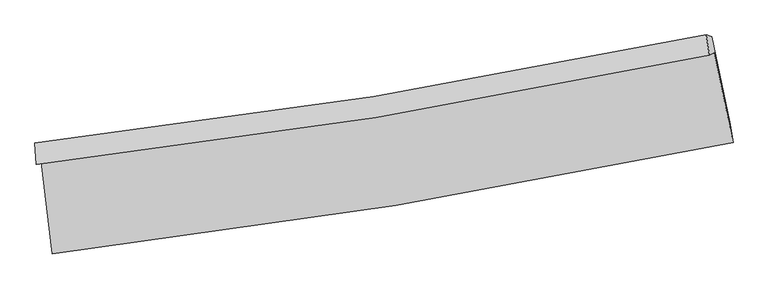
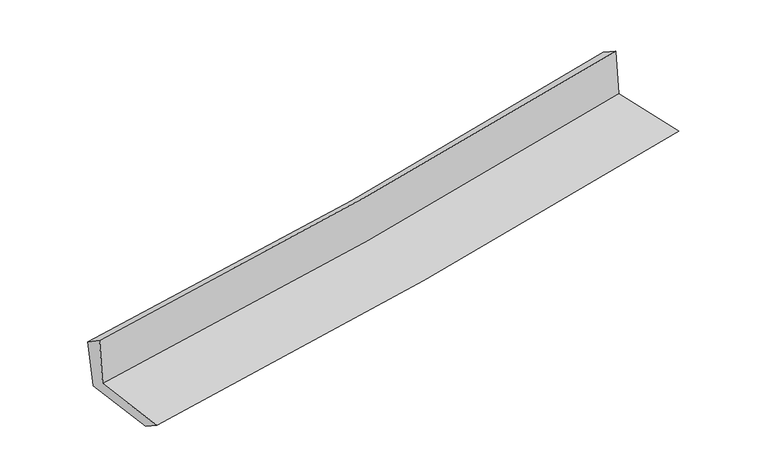
"""IFC4 building model written with IfcOpenShell, lengths in millimetres: proxy geometry."""

from ifc_helpers import new_model, si_unit, frame, origin, place, context, project, spatial, source, transform, mapped, element, save
from ifc_brep_helpers import plane_surface, spline_curve, spline_surface, advanced_brep


def generic_models_63cd29ab(model_context):
    return source(origin(), model_context, "Body", "AdvancedBrep", [
        advanced_brep(
        [(-2488.7763209, -1877.0946529, 1649.832085), (-2406.28135, -2547.6539288, 1645.0182178), (2562.9367067, -1735.1975188, 2097.6117215), (2424.6458172, -1077.8537146, 2090.5710936), (-2525.0167977, -1895.2157446, 2068.7527113), (2389.543361, -1093.4479037, 2499.6573344), (-2534.7112347, -1736.6239136, 1962.9637531), (2366.8946357, -946.0870217, 2409.0913518), (-2495.7612953, -1749.2154578, 1555.4665024), (2406.202175, -957.9422388, 2017.0218509), (-2415.9572268, -2395.487987, 1547.59228), (2539.1119962, -1585.3563069, 2013.9885295)],
        [
            (0, 1),
            (1, 2, spline_curve(3, [(-2406.28135, -2547.6539288, 1645.0182178), (-1568.191400654, -2447.365352903, 1721.692409555), (-732.804886953, -2329.050110902, 1797.948722405), (923.542889866, -2057.842946322, 1948.804221001), (1744.562395154, -1905.339385038, 2023.412409423), (2562.9367067, -1735.1975188, 2097.6117215)], [4, 2, 4], [0.0, 8.293047867660015, 16.496277832460706])),
            (2, 3),
            (3, 0, spline_curve(3, [(2424.6458172, -1077.8537146, 2090.5710936), (1616.629263383, -1250.707280731, 2020.550294404), (805.415999768, -1403.484744707, 1949.019884228), (-832.320994228, -1670.340427642, 1802.140120009), (-1658.915110152, -1783.976609702, 1726.757527356), (-2488.7763209, -1877.0946529, 1649.832085)], [4, 2, 4], [0.0, 8.203229964800691, 16.496277832460706])),
            (4, 0),
            (3, 5),
            (5, 4, spline_curve(3, [(2389.543361, -1093.4479037, 2499.6573344), (1580.943881424, -1264.193203676, 2431.290827895), (769.343763056, -1416.11908344, 2361.402699949), (-868.77688843, -1683.789397763, 2217.801328677), (-1695.363489614, -1799.119464696, 2144.054582303), (-2525.0167977, -1895.2157446, 2068.7527113)], [4, 2, 4], [0.0, 8.15663283206749, 16.402573370796063])),
            (6, 4),
            (5, 7),
            (7, 6, spline_curve(3, [(2366.8946357, -946.0870217, 2409.0913518), (1561.36698091, -1115.625030231, 2329.393590727), (752.378937943, -1266.01822901, 2252.554182922), (-881.4134945, -1529.952057811, 2103.782047852), (-1706.294075071, -1643.071156387, 2031.912256323), (-2534.7112347, -1736.6239136, 1962.9637531)], [4, 2, 4], [0.0, 8.14627398552629, 16.381742257770988])),
            (8, 6),
            (7, 9),
            (9, 8, spline_curve(3, [(2406.202175, -957.9422388, 2017.0218509), (1599.44444228, -1127.094354557, 1946.406019926), (789.808535517, -1277.354250871, 1872.860617309), (-844.115916084, -1541.527960639, 1719.07333792), (-1668.467832663, -1655.025804074, 1638.766957756), (-2495.7612953, -1749.2154578, 1555.4665024)], [4, 2, 4], [0.0, 8.137052216783315, 16.363197750309464])),
            (10, 8),
            (9, 11),
            (11, 10, spline_curve(3, [(2539.1119962, -1585.3563069, 2013.9885295), (1722.417810737, -1754.949186331, 1945.755146773), (903.40920718, -1906.985135933, 1873.008426767), (-748.229574625, -2177.415598755, 1717.642385318), (-1580.910712338, -2295.423542462, 1634.923688713), (-2415.9572268, -2395.487987, 1547.59228)], [4, 2, 4], [0.0, 8.183833841448497, 16.45727321585683])),
            (1, 10),
            (11, 2),
        ],
        [
            spline_surface(3, 3, [[(-2488.7763209, -1877.0946529, 1649.832085), (-1658.915110108, -1783.976609733, 1726.757527365), (-832.320994245, -1670.340427673, 1802.140120039), (805.415999786, -1403.484744676, 1949.019884198), (1616.629263261, -1250.707280689, 2020.550294387), (2424.6458172, -1077.8537146, 2090.5710936)], [(-2461.277997267, -2100.614411514, 1648.227462611), (-1628.673873605, -2005.106190801, 1725.069154818), (-799.148958502, -1889.91032211, 1800.742987516), (844.791629811, -1621.604145236, 1948.94799648), (1659.273640557, -1468.917982146, 2021.504332768), (2470.742780367, -1296.968316011, 2092.917969582)], [(-2433.779673633, -2324.134170186, 1646.622840189), (-1598.4326371, -2226.235771928, 1723.380782238), (-765.976922725, -2109.48021649, 1799.34585494), (884.167259869, -1839.723545738, 1948.876108708), (1701.91801785, -1687.12868357, 2022.458371103), (2516.839743533, -1516.082917389, 2095.264845518)], [(-2406.28135, -2547.6539288, 1645.0182178), (-1568.191400597, -2447.365352997, 1721.692409691), (-732.804886981, -2329.050110927, 1797.948722418), (923.542889894, -2057.842946298, 1948.804220989), (1744.562395146, -1905.339385027, 2023.412409483), (2562.9367067, -1735.1975188, 2097.6117215)]], [4, 4], [4, 2, 4], [0.0, 2.1834063517663185], [0.0, 8.293047867660015, 16.496277832460706]),
            spline_surface(3, 3, [[(-2525.0167977, -1895.2157446, 2068.7527113), (-1695.363489493, -1799.119464786, 2144.054582416), (-868.77688835, -1683.789397668, 2217.801328709), (769.343762977, -1416.119083535, 2361.402699917), (1580.943881375, -1264.193203683, 2431.290827987), (2389.543361, -1093.4479037, 2499.6573344)], [(-2512.936638783, -1889.175380717, 1929.112502531), (-1683.214029715, -1794.071846452, 2004.955564064), (-856.624923658, -1679.306407657, 2079.247592476), (781.367841904, -1411.907637236, 2223.941761335), (1592.839008656, -1259.697896007, 2294.377316785), (2401.244179719, -1088.249840655, 2363.295254131)], [(-2500.856479817, -1883.135016783, 1789.472293769), (-1671.064569886, -1789.024228067, 1865.856545718), (-844.472958938, -1674.823417684, 1940.693856272), (793.391920859, -1407.696190975, 2086.48082278), (1604.73413598, -1255.202588365, 2157.463805589), (2412.944998481, -1083.051777645, 2226.933173869)], [(-2488.7763209, -1877.0946529, 1649.832085), (-1658.915110108, -1783.976609733, 1726.757527365), (-832.320994245, -1670.340427673, 1802.140120039), (805.415999786, -1403.484744676, 1949.019884198), (1616.629263261, -1250.707280689, 2020.550294387), (2424.6458172, -1077.8537146, 2090.5710936)]], [4, 4], [4, 2, 4], [0.0, 1.364271076748209], [0.0, 8.245940538728572, 16.402573370796063]),
            spline_surface(3, 3, [[(-2534.7112347, -1736.6239136, 1962.9637531), (-1706.294075116, -1643.07115638, 2031.912256281), (-881.413494496, -1529.952057867, 2103.782047904), (752.378937939, -1266.018228954, 2252.554182871), (1561.366980775, -1115.625030164, 2329.393590807), (2366.8946357, -946.0870217, 2409.0913518)], [(-2531.47975569, -1789.487857279, 1998.226739163), (-1702.650546565, -1695.087259194, 2069.293031655), (-877.201292433, -1581.231171132, 2141.788474833), (758.033879633, -1316.051847146, 2288.83702188), (1567.892614324, -1165.147754683, 2363.359336528), (2374.444210816, -995.207315712, 2439.280012661)], [(-2528.24827671, -1842.351800921, 2033.489725237), (-1699.007018044, -1747.103361972, 2106.673807042), (-872.989090413, -1632.510284403, 2179.79490178), (763.688821283, -1366.085465343, 2325.119860907), (1574.418247826, -1214.670479165, 2397.325082266), (2381.993785884, -1044.327609688, 2469.468673539)], [(-2525.0167977, -1895.2157446, 2068.7527113), (-1695.363489493, -1799.119464786, 2144.054582416), (-868.77688835, -1683.789397668, 2217.801328709), (769.343762977, -1416.119083535, 2361.402699917), (1580.943881375, -1264.193203683, 2431.290827987), (2389.543361, -1093.4479037, 2499.6573344)]], [4, 4], [4, 2, 4], [0.0, 0.6202684953764012], [0.0, 8.235468272244697, 16.381742257770988]),
            spline_surface(3, 3, [[(-2495.7612953, -1749.2154578, 1555.4665024), (-1668.467832694, -1655.025804058, 1638.766957652), (-844.115916101, -1541.527960619, 1719.073337932), (789.808535534, -1277.35425089, 1872.860617298), (1599.444442335, -1127.094354644, 1946.406019811), (2406.202175, -957.9422388, 2017.0218509)], [(-2508.744608431, -1745.018276399, 1691.298919307), (-1681.076580165, -1651.040921498, 1769.815390535), (-856.548442244, -1537.669326388, 1847.309574591), (777.332002992, -1273.57557693, 1999.425139158), (1586.751955136, -1123.271246475, 2074.068543467), (2393.099661889, -953.990499758, 2147.711684524)], [(-2521.727921569, -1740.821095001, 1827.131336193), (-1693.685327644, -1647.056038941, 1900.863823398), (-868.980968354, -1533.810692099, 1975.545811245), (764.855470481, -1269.796902914, 2125.989661011), (1574.059467973, -1119.448138333, 2201.731067151), (2379.997148811, -950.038760742, 2278.401518176)], [(-2534.7112347, -1736.6239136, 1962.9637531), (-1706.294075116, -1643.07115638, 2031.912256281), (-881.413494496, -1529.952057867, 2103.782047904), (752.378937939, -1266.018228954, 2252.554182871), (1561.366980775, -1115.625030164, 2329.393590807), (2366.8946357, -946.0870217, 2409.0913518)]], [4, 4], [4, 2, 4], [0.0, 1.2605695567545028], [0.0, 8.226145533526148, 16.363197750309464]),
            spline_surface(3, 3, [[(-2415.9572268, -2395.487987, 1547.59228), (-1580.910712341, -2295.423542531, 1634.923688682), (-748.229574727, -2177.415598818, 1717.642385262), (903.40920728, -1906.98513587, 1873.008426822), (1722.417810659, -1754.949186232, 1945.755146741), (2539.1119962, -1585.3563069, 2013.9885295)], [(-2442.558582968, -2180.063810579, 1550.217020801), (-1610.096419127, -2081.957629686, 1636.204778339), (-780.191688509, -1965.453052728, 1718.119369502), (865.542316708, -1697.108174185, 1872.959156998), (1681.4266879, -1545.664242365, 1945.972104451), (2494.808722482, -1376.218284196, 2014.999636653)], [(-2469.159939132, -1964.639634221, 1552.841761599), (-1639.282125908, -1868.491716904, 1637.485867995), (-812.153802319, -1753.49050671, 1718.596353692), (827.675426107, -1487.231212574, 1872.909887123), (1640.435565094, -1336.37929851, 1946.189062101), (2450.505448718, -1167.080261504, 2016.010743747)], [(-2495.7612953, -1749.2154578, 1555.4665024), (-1668.467832694, -1655.025804058, 1638.766957652), (-844.115916101, -1541.527960619, 1719.073337932), (789.808535534, -1277.35425089, 1872.860617298), (1599.444442335, -1127.094354644, 1946.406019811), (2406.202175, -957.9422388, 2017.0218509)]], [4, 4], [4, 2, 4], [0.0, 2.104292416341356], [0.0, 8.273439374408333, 16.45727321585683]),
            spline_surface(3, 3, [[(-2406.28135, -2547.6539288, 1645.0182178), (-1568.191400597, -2447.365352997, 1721.692409691), (-732.804886981, -2329.050110927, 1797.948722418), (923.542889894, -2057.842946298, 1948.804220989), (1744.562395146, -1905.339385027, 2023.412409483), (2562.9367067, -1735.1975188, 2097.6117215)], [(-2409.50664226, -2496.931948213, 1612.542905188), (-1572.431171172, -2396.718082854, 1692.769502676), (-737.946449556, -2278.505273559, 1771.179943344), (916.831662363, -2007.557009489, 1923.538956245), (1737.180866977, -1855.209318763, 1997.526655219), (2554.995136527, -1685.250448168, 2069.737324149)], [(-2412.73193454, -2446.209967587, 1580.067592612), (-1576.670941766, -2346.070812674, 1663.846595697), (-743.088012152, -2227.960436187, 1744.411164335), (910.120434811, -1957.271072678, 1898.273691566), (1729.799338828, -1805.079252495, 1971.640901006), (2547.053566373, -1635.303377532, 2041.862926851)], [(-2415.9572268, -2395.487987, 1547.59228), (-1580.910712341, -2295.423542531, 1634.923688682), (-748.229574727, -2177.415598818, 1717.642385262), (903.40920728, -1906.98513587, 1873.008426822), (1722.417810659, -1754.949186232, 1945.755146741), (2539.1119962, -1585.3563069, 2013.9885295)]], [4, 4], [4, 2, 4], [0.0, 0.5614716942827312], [0.0, 8.329802477669075, 16.569388981462705]),
            plane_surface(frame((2448.2224486, -1232.6474507, 2187.9903136), z_axis=(0.9742805544845324, 0.20594701568404888, 0.09145068553130917), x_axis=(-0.09971134861486858, 0.030073103223391923, 0.9945618409228857))),
            plane_surface(frame((-2477.7507043, -2033.5486141, 1738.2709249), z_axis=(-0.9885009896883394, -0.12095801376283873, -0.09074663790864199), x_axis=(-0.12210048473822198, 0.9924921693398279, 0.007124986021992091))),
        ],
        [
            (0, [[1, 2, 3, 4]]),
            (1, [[5, -4, 6, 7]]),
            (2, [[8, -7, 9, 10]]),
            (3, [[11, -10, 12, 13]]),
            (4, [[14, -13, 15, 16]]),
            (5, [[17, -16, 18, -2]]),
            (6, [[-12, -9, -6, -3, -18, -15]]),
            (7, [[-1, -5, -8, -11, -14, -17]]),
        ],
    ),
    ])


if __name__ == "__main__":
    model = new_model("IFC4")
    model_context = context("Model", 3, world=origin())
    ifc_project = project(units=[si_unit("LENGTHUNIT", "METRE", prefix="MILLI")], contexts=[model_context])
    site = spatial("IfcSite", under=ifc_project)
    building = spatial("IfcBuilding", under=site)
    placement = place(None, origin())
    generic_models_shape = generic_models_63cd29ab(model_context)
    element("IfcBuildingElementProxy", 1, Name="Generic Models", at=placement, inside=building, context=model_context, shape_type="MappedRepresentation", body=[
        mapped(generic_models_shape, transform((0.0, 0.0, 0.0), x_axis=(1.0, 0.0, 0.0), y_axis=(0.0, 1.0, 0.0), z_axis=(0.0, 0.0, 1.0))),
    ])
    save(model, "model.ifc")
